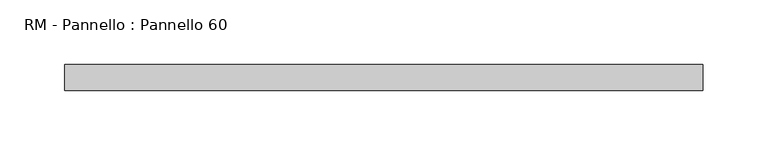
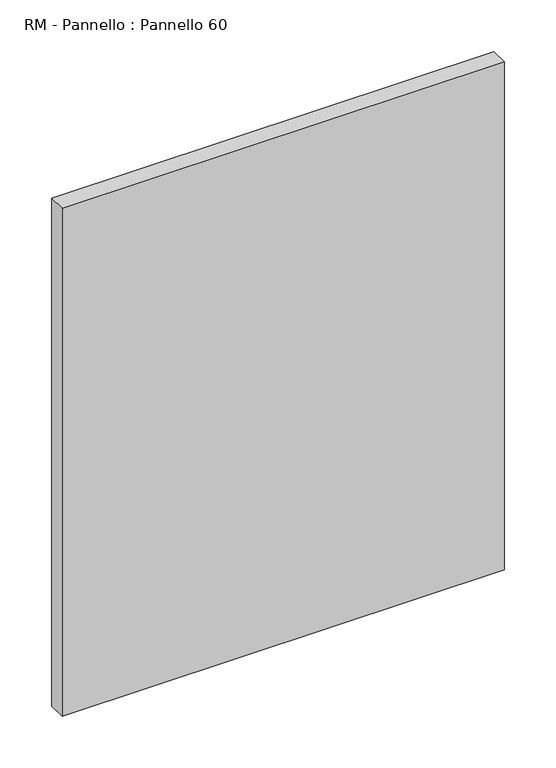
"""IFC4 building model written with IfcOpenShell, lengths in millimetres: plate geometry, RM - Pannello : Pannello 60."""

from ifc_helpers import new_model, si_unit, origin, origin_with_axes, place, context, project, spatial, polyline, outline, extrude, source, transform, mapped, element, save


def rm_pannello_pannello_60_72d58a55(model_context):
    return source(origin(), model_context, "Body", "SweptSolid", [
        extrude(outline(polyline([(247.0, 200.0), (247.0, 180.0), (-247.0, 180.0), (-247.0, 200.0), (247.0, 200.0)])), origin_with_axes(), (0.0, 0.0, 1.0), 600.0),
    ])


if __name__ == "__main__":
    model = new_model("IFC4")
    model_context = context("Model", 3, world=origin())
    ifc_project = project(units=[si_unit("LENGTHUNIT", "METRE", prefix="MILLI")], contexts=[model_context])
    site = spatial("IfcSite", under=ifc_project)
    building = spatial("IfcBuilding", under=site)
    placement = place(None, origin())
    rm_pannello_pannello_60_shape = rm_pannello_pannello_60_72d58a55(model_context)
    element("IfcPlate", 1, ObjectType="RM - Pannello : Pannello 60", at=placement, inside=building, context=model_context, shape_type="MappedRepresentation", body=[
        mapped(rm_pannello_pannello_60_shape, transform((0.0, 0.0, 0.0), x_axis=(1.0, 0.0, 0.0), y_axis=(0.0, 1.0, 0.0), z_axis=(0.0, 0.0, 1.0))),
    ])
    save(model, "model.ifc")
